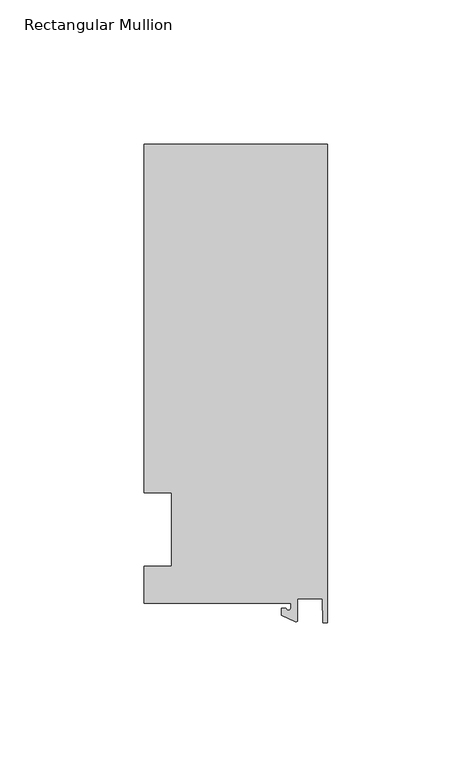
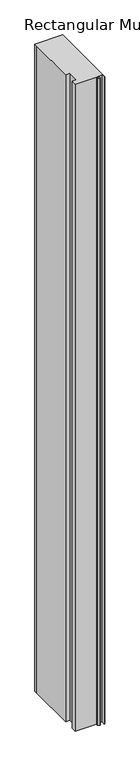
"""IFC4 building model written with IfcOpenShell, lengths in millimetres: member geometry, Rectangular Mullion."""

from ifc_helpers import new_model, si_unit, point, frame, frame_2d, origin, place, context, project, spatial, polyline, circle_curve, trimmed, segment, composite_curve, outline, extrude, source, transform, mapped, element, save


def rectangular_mullion_cbecb9a8(model_context):
    return source(origin(), model_context, "Body", "SweptSolid", [
        extrude(outline(composite_curve([segment(polyline([(-12.6979967, -25.4849312), (-63.5, -25.4849312), (-63.5, -12.7), (-53.975, -12.7), (-53.975, 12.7), (-63.5, 12.7), (-63.5, 125.6958688), (-63.5, 133.4428688), (0.0, 133.4428688), (0.0, -32.288874), (-1.5658966, -32.288874), (-1.7144124, -23.9227662), (-10.3103967, -23.9227662), (-10.3103967, -31.3654561)]), True, "CONTINUOUS"), segment(trimmed(circle_curve(frame_2d((-10.8183967, -31.3654561)), 0.508), [point((-10.3103967, -31.3654561))], [point((-11.0330867, -31.8258605))], False, "CARTESIAN"), True, "CONTINUOUS"), segment(polyline([(-11.0330867, -31.8258605), (-15.8729967, -29.5689734), (-15.8729967, -27.2067741), (-14.2854967, -27.2067741)]), True, "CONTINUOUS"), segment(trimmed(circle_curve(frame_2d((-13.4917467, -27.2067741)), 0.79375), [point((-14.2854967, -27.2067741))], [point((-12.6979967, -27.2067741))], True, "CARTESIAN"), True, "CONTINUOUS"), segment(polyline([(-12.6979967, -27.2067741), (-12.6979967, -25.4849312)]), True, "CONTINUOUS")], self_intersect=False)), frame((0.0, 0.0, -1555.75), z_axis=(0.0, 0.0, 1.0), x_axis=(1.0, 0.0, 0.0)), (0.0, 0.0, 1.0), 1555.75),
    ])


if __name__ == "__main__":
    model = new_model("IFC4")
    model_context = context("Model", 3, world=origin())
    ifc_project = project(units=[si_unit("LENGTHUNIT", "METRE", prefix="MILLI")], contexts=[model_context])
    site = spatial("IfcSite", under=ifc_project)
    building = spatial("IfcBuilding", under=site)
    placement = place(None, origin())
    rectangular_mullion_shape = rectangular_mullion_cbecb9a8(model_context)
    element("IfcMember", 1, ObjectType="Rectangular Mullion", at=placement, inside=building, context=model_context, shape_type="MappedRepresentation", body=[
        mapped(rectangular_mullion_shape, transform((0.0, 0.0, 0.0), x_axis=(1.0, 0.0, 0.0), y_axis=(0.0, 1.0, 0.0), z_axis=(0.0, 0.0, 1.0))),
    ])
    save(model, "model.ifc")
